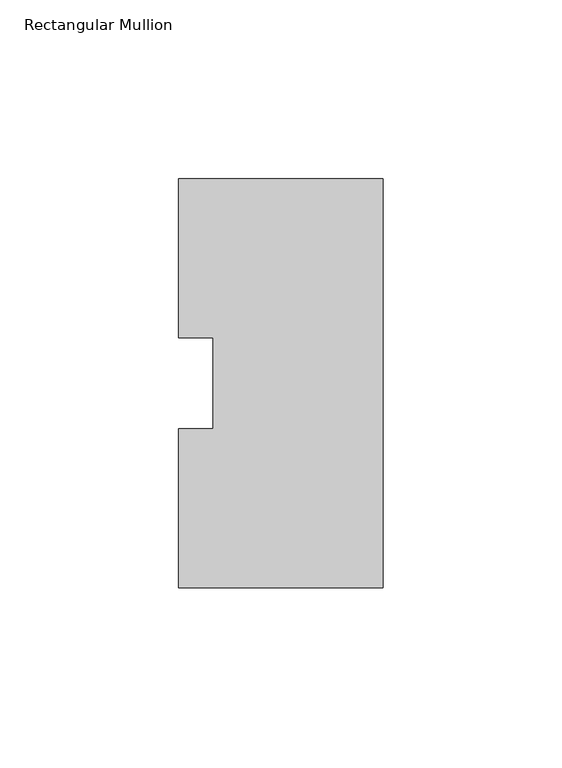
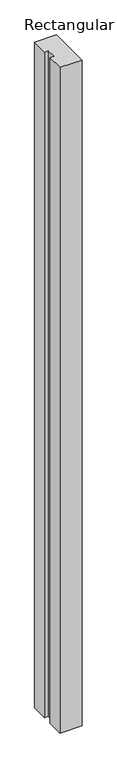
"""IFC4 building model written with IfcOpenShell, lengths in millimetres: member geometry, Rectangular Mullion."""

from ifc_helpers import new_model, si_unit, frame, origin, place, context, project, spatial, polyline, outline, extrude, source, transform, mapped, element, save


def rectangular_mullion_e4ed5742(model_context):
    return source(origin(), model_context, "Body", "SweptSolid", [
        extrude(outline(polyline([(0.0, 57.15), (0.0, -57.15), (-57.15, -57.15), (-57.15, -12.7), (-47.625, -12.7), (-47.625, 12.7), (-57.15, 12.7), (-57.15, 57.15), (0.0, 57.15)])), frame((0.0, 0.0, -1828.8), z_axis=(0.0, 0.0, 1.0), x_axis=(1.0, 0.0, 0.0)), (0.0, 0.0, 1.0), 1828.8),
    ])


if __name__ == "__main__":
    model = new_model("IFC4")
    model_context = context("Model", 3, world=origin())
    ifc_project = project(units=[si_unit("LENGTHUNIT", "METRE", prefix="MILLI")], contexts=[model_context])
    site = spatial("IfcSite", under=ifc_project)
    building = spatial("IfcBuilding", under=site)
    placement = place(None, origin())
    rectangular_mullion_shape = rectangular_mullion_e4ed5742(model_context)
    element("IfcMember", 1, ObjectType="Rectangular Mullion", at=placement, inside=building, context=model_context, shape_type="MappedRepresentation", body=[
        mapped(rectangular_mullion_shape, transform((0.0, 0.0, 0.0), x_axis=(1.0, 0.0, 0.0), y_axis=(0.0, 1.0, 0.0), z_axis=(0.0, 0.0, 1.0))),
    ])
    save(model, "model.ifc")
